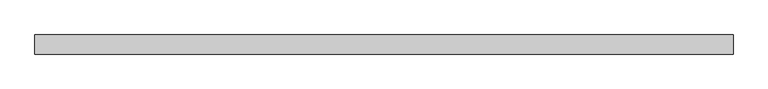
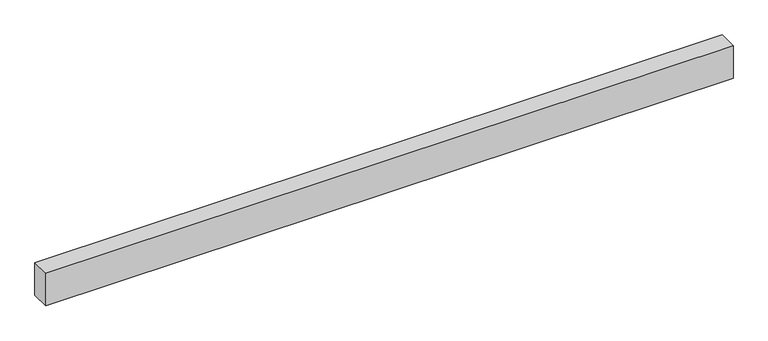
"""IFC4 building model written with IfcOpenShell, lengths in millimetres: furniture geometry."""

from ifc_helpers import new_model, si_unit, frame, origin, place, context, project, spatial, polyline, outline, extrude, source, transform, mapped, element, save


def furniture_ca8929a8(model_context):
    return source(origin(), model_context, "Body", "SweptSolid", [
        extrude(outline(polyline([(1851.152, -25.4), (0.0, -25.4), (0.0, 25.4), (1851.152, 25.4), (1851.152, -25.4)])), frame((0.0, 0.0, 2193.163), z_axis=(0.0, 0.0, 1.0), x_axis=(1.0, 0.0, 0.0)), (0.0, 0.0, 1.0), 92.71),
    ])


if __name__ == "__main__":
    model = new_model("IFC4")
    model_context = context("Model", 3, world=origin())
    ifc_project = project(units=[si_unit("LENGTHUNIT", "METRE", prefix="MILLI")], contexts=[model_context])
    site = spatial("IfcSite", under=ifc_project)
    building = spatial("IfcBuilding", under=site)
    placement = place(None, origin())
    furniture_shape = furniture_ca8929a8(model_context)
    element("IfcFurniture", 1, at=placement, inside=building, context=model_context, shape_type="MappedRepresentation", body=[
        mapped(furniture_shape, transform((0.0, 0.0, 0.0), x_axis=(1.0, 0.0, 0.0), y_axis=(0.0, 1.0, 0.0), z_axis=(0.0, 0.0, 1.0))),
    ])
    save(model, "model.ifc")
